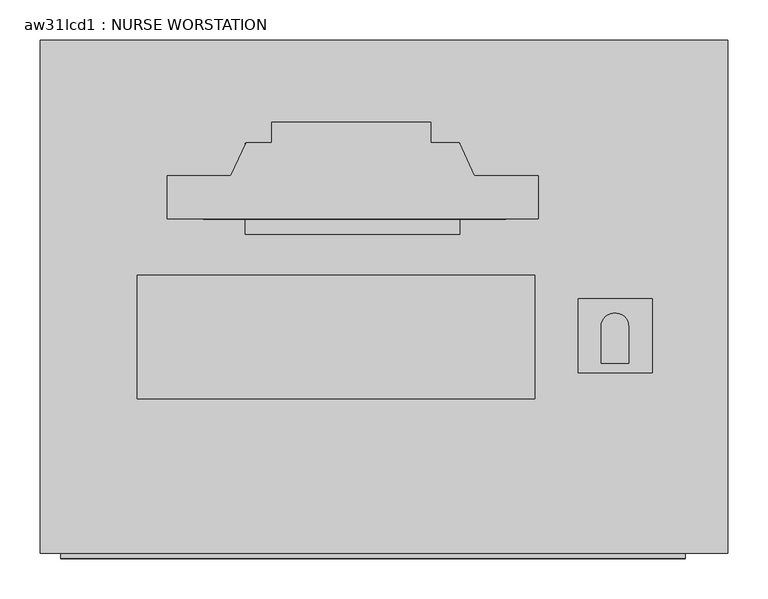
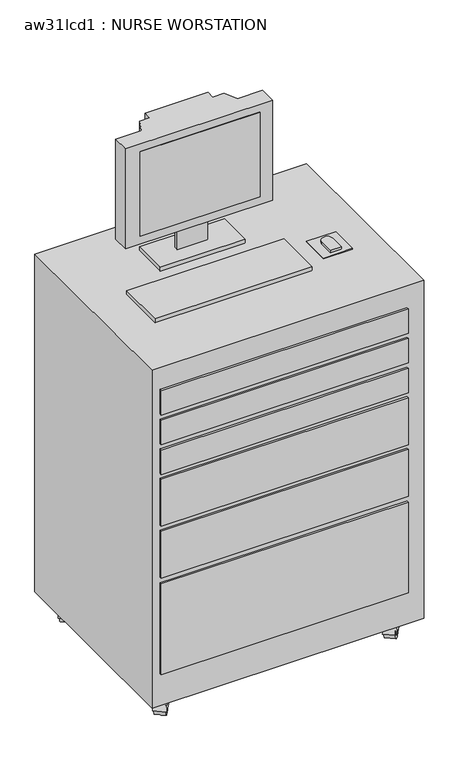
"""IFC4 building model written with IfcOpenShell, lengths in millimetres: proxy geometry, aw31lcd1 : NURSE WORSTATION."""

from ifc_helpers import new_model, si_unit, point, frame, frame_2d, origin, place, context, project, spatial, polyline, circle_curve, trimmed, segment, composite_curve, outline, extrude, faceted_brep, source, transform, mapped, element, save


def aw31lcd1_nurse_worstation_875e6ec7(model_context):
    return source(origin(), model_context, "Body", "SolidModel", [
        extrude(outline(polyline([(11.3204069, -2.1499254), (385.9704069, -2.1499254), (385.9704069, -5.476148), (11.3204069, -5.476148), (11.3204069, -2.1499254)])), frame((0.0, 0.0, 1278.3308248), z_axis=(0.0, 0.0, 1.0), x_axis=(1.0, 0.0, 0.0)), (0.0, 0.0, 1.0), 279.4),
        extrude(outline(polyline([(11.3204069, 10.9978045), (385.9704069, 10.9978045), (385.9704069, 3.998727), (11.3204069, 3.998727), (11.3204069, 10.9978045)])), frame((0.0, 0.0, 1278.3308248), z_axis=(0.0, 0.0, 1.0), x_axis=(1.0, 0.0, 0.0)), (0.0, 0.0, 1.0), 279.4),
        extrude(outline(polyline([(566.8529791, -103.6582011), (566.8529791, -195.5987822), (475.4784271, -195.5987822), (475.4784271, -103.6582011), (566.8529791, -103.6582011)])), frame((0.0, 0.0, 1155.7), z_axis=(0.0, 0.0, 1.0), x_axis=(1.0, 0.0, 0.0)), (0.0, 0.0, 1.0), 2.9133962),
        extrude(outline(composite_curve([segment(trimmed(circle_curve(frame_2d((520.8651108, -138.5749128)), 17.0826805), [point((503.7824304, -138.5749128))], [point((537.9477913, -138.5749128))], False, "CARTESIAN"), True, "CONTINUOUS"), segment(polyline([(537.9477913, -138.5749128), (537.9477913, -183.8689655), (503.7824304, -183.8689655), (503.7824304, -138.5749128)]), True, "CONTINUOUS")], self_intersect=False)), frame((0.0, 0.0, 1158.6133962), z_axis=(0.0, 0.0, 1.0), x_axis=(1.0, 0.0, 0.0)), (0.0, 0.0, 1.0), 9.3019768),
        extrude(outline(polyline([(421.683969, -227.6226119), (-70.2947271, -227.6226119), (-70.2947271, -74.6176866), (421.683969, -74.6176866), (421.683969, -227.6226119)])), frame((0.0, 0.0, 1155.7), z_axis=(0.0, 0.0, 1.0), x_axis=(1.0, 0.0, 0.0)), (0.0, 0.0, 1.0), 12.2153731),
        extrude(outline(polyline([(328.9761644, -24.13), (63.4041467, -24.13), (63.4041467, 88.3361171), (328.9761644, 88.3361171), (328.9761644, -24.13)])), frame((0.0, 0.0, 1155.7), z_axis=(0.0, 0.0, 1.0), x_axis=(1.0, 0.0, 0.0)), (0.0, 0.0, 1.0), 12.2153731),
        extrude(outline(polyline([(240.0761644, 24.8549459), (144.8261644, 24.8549459), (144.8261644, 37.5361171), (240.0761644, 37.5361171), (240.0761644, 24.8549459)])), frame((0.0, 0.0, 1167.9153731), z_axis=(0.0, 0.0, 1.0), x_axis=(1.0, 0.0, 0.0)), (0.0, 0.0, 1.0), 83.6809533),
        extrude(outline(polyline([(-33.6750377, -5.08), (-33.6750377, 48.26), (45.4860159, 48.26), (64.4367591, 88.9), (95.8649623, 88.9), (95.8649623, 114.3), (292.7149623, 114.3), (292.7149623, 88.9), (327.9531654, 88.9), (346.9039086, 48.26), (426.0649623, 48.26), (426.0649623, -5.08), (-33.6750377, -5.08)])), frame((0.0, 0.0, 1251.5963264), z_axis=(0.0, 0.0, 1.0), x_axis=(1.0, 0.0, 0.0)), (0.0, 0.0, 1.0), 330.8236736),
        extrude(outline(composite_curve([segment(trimmed(circle_curve(frame_2d((0.0, -25.7612182)), 25.7612183), [point((0.0, -51.5224365))], [point((0.0, 0.0))], False, "CARTESIAN"), True, "CONTINUOUS"), segment(trimmed(circle_curve(frame_2d((0.0, -25.7612182)), 25.7612183), [point((0.0, 0.0))], [point((0.0, -51.5224365))], False, "CARTESIAN"), True, "CONTINUOUS")], self_intersect=False)), frame((-98.5794195, 161.7340806, -13.9262817), z_axis=(-0.7771459614569454, 0.6293203910498689, 0.0), x_axis=(0.0, 0.0, 1.0)), (0.0, 0.0, 1.0), 31.75),
        extrude(outline(composite_curve([segment(polyline([(-57.1058785, 0.0), (-0.6783151, 0.0)]), True, "CONTINUOUS"), segment(trimmed(circle_curve(frame_2d((-28.8920967, 0.0)), 28.2137817), [point((-0.6783151, 0.0))], [point((-57.1058785, 0.0))], False, "CARTESIAN"), True, "CONTINUOUS")], self_intersect=False)), frame((-94.1416554, 162.1691379, -13.9262817), z_axis=(-0.7771459614569454, 0.6293203910498689, 0.0), x_axis=(0.6293203910498689, 0.7771459614569454, 0.0)), (0.0, 0.0, 1.0), 38.1),
        extrude(outline(composite_curve([segment(trimmed(circle_curve(frame_2d((-127.1280789, 151.7038351)), 3.5091751), [point((-129.8552201, 153.9122305))], [point((-124.4009376, 149.4954397))], False, "CARTESIAN"), True, "CONTINUOUS"), segment(trimmed(circle_curve(frame_2d((-127.1280789, 151.7038351)), 3.5091751), [point((-124.4009376, 149.4954397))], [point((-129.8552201, 153.9122305))], False, "CARTESIAN"), True, "CONTINUOUS")], self_intersect=False)), frame((0.0, 0.0, 14.2875), z_axis=(0.0, 0.0, 1.0), x_axis=(1.0, 0.0, 0.0)), (0.0, 0.0, 1.0), 13.49375),
        extrude(outline(composite_curve([segment(trimmed(circle_curve(frame_2d((0.0, -25.7612182)), 25.7612183), [point((0.0, -51.5224365))], [point((0.0, 0.0))], False, "CARTESIAN"), True, "CONTINUOUS"), segment(trimmed(circle_curve(frame_2d((0.0, -25.7612182)), 25.7612183), [point((0.0, 0.0))], [point((0.0, -51.5224365))], False, "CARTESIAN"), True, "CONTINUOUS")], self_intersect=False)), frame((-96.651196, -345.2878507, -13.9262817), z_axis=(-0.7771459614569454, 0.6293203910498689, 0.0), x_axis=(0.0, 0.0, 1.0)), (0.0, 0.0, 1.0), 31.75),
        extrude(outline(composite_curve([segment(polyline([(-57.1058784, 0.0), (-0.6783149, 0.0)]), True, "CONTINUOUS"), segment(trimmed(circle_curve(frame_2d((-28.8920967, 0.0)), 28.2137817), [point((-0.6783149, 0.0))], [point((-57.1058784, 0.0))], False, "CARTESIAN"), True, "CONTINUOUS")], self_intersect=False)), frame((-92.2134319, -344.8527934, -13.9262817), z_axis=(-0.7771459614569454, 0.6293203910498689, 0.0), x_axis=(0.6293203910498689, 0.7771459614569454, 0.0)), (0.0, 0.0, 1.0), 38.1),
        extrude(outline(composite_curve([segment(trimmed(circle_curve(frame_2d((-125.1998553, -355.3180962)), 3.5091751), [point((-127.9269966, -353.1097007))], [point((-122.4727141, -357.5264916))], False, "CARTESIAN"), True, "CONTINUOUS"), segment(trimmed(circle_curve(frame_2d((-125.1998553, -355.3180962)), 3.5091751), [point((-122.4727141, -357.5264916))], [point((-127.9269966, -353.1097007))], False, "CARTESIAN"), True, "CONTINUOUS")], self_intersect=False)), frame((0.0, 0.0, 14.2875), z_axis=(0.0, 0.0, 1.0), x_axis=(1.0, 0.0, 0.0)), (0.0, 0.0, 1.0), 13.49375),
        extrude(outline(composite_curve([segment(trimmed(circle_curve(frame_2d((0.0, -25.7612183)), 25.7612183), [point((0.0, -51.5224365))], [point((0.0, 0.0))], False, "CARTESIAN"), True, "CONTINUOUS"), segment(trimmed(circle_curve(frame_2d((0.0, -25.7612183)), 25.7612183), [point((0.0, 0.0))], [point((0.0, -51.5224365))], False, "CARTESIAN"), True, "CONTINUOUS")], self_intersect=False)), frame((626.43263, 162.799051, -13.9262817), z_axis=(-0.7771459614569454, 0.6293203910498689, 0.0), x_axis=(0.0, 0.0, 1.0)), (0.0, 0.0, 1.0), 31.75),
        extrude(outline(composite_curve([segment(polyline([(-57.1058785, 0.0), (-0.678315, 0.0)]), True, "CONTINUOUS"), segment(trimmed(circle_curve(frame_2d((-28.8920967, 0.0)), 28.2137817), [point((-0.678315, 0.0))], [point((-57.1058785, 0.0))], False, "CARTESIAN"), True, "CONTINUOUS")], self_intersect=False)), frame((630.8703941, 163.2341083, -13.9262817), z_axis=(-0.7771459614569455, 0.6293203910498689, 0.0), x_axis=(0.6293203910498689, 0.7771459614569455, 0.0)), (0.0, 0.0, 1.0), 38.1),
        extrude(outline(composite_curve([segment(trimmed(circle_curve(frame_2d((597.8839706, 152.7688055)), 3.5091751), [point((595.1568293, 154.977201))], [point((600.6111119, 150.5604101))], False, "CARTESIAN"), True, "CONTINUOUS"), segment(trimmed(circle_curve(frame_2d((597.8839706, 152.7688055)), 3.5091751), [point((600.6111119, 150.5604101))], [point((595.1568293, 154.977201))], False, "CARTESIAN"), True, "CONTINUOUS")], self_intersect=False)), frame((0.0, 0.0, 14.2875), z_axis=(0.0, 0.0, 1.0), x_axis=(1.0, 0.0, 0.0)), (0.0, 0.0, 1.0), 13.49375),
        extrude(outline(composite_curve([segment(trimmed(circle_curve(frame_2d((0.0, -25.7612183)), 25.7612183), [point((0.0, -51.5224365))], [point((0.0, 0.0))], False, "CARTESIAN"), True, "CONTINUOUS"), segment(trimmed(circle_curve(frame_2d((0.0, -25.7612183)), 25.7612183), [point((0.0, 0.0))], [point((0.0, -51.5224365))], False, "CARTESIAN"), True, "CONTINUOUS")], self_intersect=False)), frame((626.43263, 162.799051, -13.9262817), z_axis=(-0.7771459614569454, 0.6293203910498689, 0.0), x_axis=(0.0, 0.0, 1.0)), (0.0, 0.0, 1.0), 31.75),
        extrude(outline(composite_curve([segment(polyline([(-57.1058785, 0.0), (-0.678315, 0.0)]), True, "CONTINUOUS"), segment(trimmed(circle_curve(frame_2d((-28.8920967, 0.0)), 28.2137817), [point((-0.678315, 0.0))], [point((-57.1058785, 0.0))], False, "CARTESIAN"), True, "CONTINUOUS")], self_intersect=False)), frame((630.8703941, 163.2341083, -13.9262817), z_axis=(-0.7771459614569455, 0.6293203910498689, 0.0), x_axis=(0.6293203910498689, 0.7771459614569455, 0.0)), (0.0, 0.0, 1.0), 38.1),
        extrude(outline(composite_curve([segment(trimmed(circle_curve(frame_2d((597.8839706, 152.7688055)), 3.5091751), [point((595.1568293, 154.977201))], [point((600.6111119, 150.5604101))], False, "CARTESIAN"), True, "CONTINUOUS"), segment(trimmed(circle_curve(frame_2d((597.8839706, 152.7688055)), 3.5091751), [point((600.6111119, 150.5604101))], [point((595.1568293, 154.977201))], False, "CARTESIAN"), True, "CONTINUOUS")], self_intersect=False)), frame((0.0, 0.0, 14.2875), z_axis=(0.0, 0.0, 1.0), x_axis=(1.0, 0.0, 0.0)), (0.0, 0.0, 1.0), 13.49375),
        extrude(outline(composite_curve([segment(trimmed(circle_curve(frame_2d((0.0, -25.7612183)), 25.7612183), [point((0.0, -51.5224365))], [point((0.0, 0.0))], False, "CARTESIAN"), True, "CONTINUOUS"), segment(trimmed(circle_curve(frame_2d((0.0, -25.7612183)), 25.7612183), [point((0.0, 0.0))], [point((0.0, -51.5224365))], False, "CARTESIAN"), True, "CONTINUOUS")], self_intersect=False)), frame((624.84513, -343.613449, -13.9262817), z_axis=(-0.7771459614569454, 0.6293203910498689, 0.0), x_axis=(0.0, 0.0, 1.0)), (0.0, 0.0, 1.0), 31.75),
        extrude(outline(composite_curve([segment(polyline([(-57.1058785, 0.0), (-0.678315, 0.0)]), True, "CONTINUOUS"), segment(trimmed(circle_curve(frame_2d((-28.8920967, 0.0)), 28.2137817), [point((-0.678315, 0.0))], [point((-57.1058785, 0.0))], False, "CARTESIAN"), True, "CONTINUOUS")], self_intersect=False)), frame((629.2828941, -343.1783917, -13.9262817), z_axis=(-0.7771459614569454, 0.6293203910498689, 0.0), x_axis=(0.6293203910498689, 0.7771459614569454, 0.0)), (0.0, 0.0, 1.0), 38.1),
        extrude(outline(composite_curve([segment(trimmed(circle_curve(frame_2d((596.2964706, -353.6436945)), 3.5091751), [point((593.5693293, -351.435299))], [point((599.0236119, -355.8520899))], False, "CARTESIAN"), True, "CONTINUOUS"), segment(trimmed(circle_curve(frame_2d((596.2964706, -353.6436945)), 3.5091751), [point((599.0236119, -355.8520899))], [point((593.5693293, -351.435299))], False, "CARTESIAN"), True, "CONTINUOUS")], self_intersect=False)), frame((0.0, 0.0, 14.2875), z_axis=(0.0, 0.0, 1.0), x_axis=(1.0, 0.0, 0.0)), (0.0, 0.0, 1.0), 13.49375),
        extrude(outline(polyline([(-165.1, -419.1), (608.0784825, -419.1), (608.0784825, -425.45), (-165.1, -425.45), (-165.1, -419.1)])), frame((0.0, 0.0, 463.55), z_axis=(0.0, 0.0, 1.0), x_axis=(1.0, 0.0, 0.0)), (0.0, 0.0, 1.0), 155.3345142),
        extrude(outline(polyline([(-165.1, -419.1), (608.0784825, -419.1), (608.0784825, -425.45), (-165.1, -425.45), (-165.1, -419.1)])), frame((0.0, 0.0, 806.45), z_axis=(0.0, 0.0, 1.0), x_axis=(1.0, 0.0, 0.0)), (0.0, 0.0, 1.0), 80.8645528),
        extrude(outline(polyline([(-165.1, -419.1), (608.0784825, -419.1), (608.0784825, -425.45), (-165.1, -425.45), (-165.1, -419.1)])), frame((0.0, 0.0, 904.875), z_axis=(0.0, 0.0, 1.0), x_axis=(1.0, 0.0, 0.0)), (0.0, 0.0, 1.0), 80.8645528),
        extrude(outline(polyline([(-165.1, -419.1), (608.0784825, -419.1), (608.0784825, -425.45), (-165.1, -425.45), (-165.1, -419.1)])), frame((0.0, 0.0, 1003.3), z_axis=(0.0, 0.0, 1.0), x_axis=(1.0, 0.0, 0.0)), (0.0, 0.0, 1.0), 80.8645528),
        extrude(outline(polyline([(-165.1, -419.1), (608.0784825, -419.1), (608.0784825, -425.45), (-165.1, -425.45), (-165.1, -419.1)])), frame((0.0, 0.0, 635.0), z_axis=(0.0, 0.0, 1.0), x_axis=(1.0, 0.0, 0.0)), (0.0, 0.0, 1.0), 155.3345142),
        extrude(outline(polyline([(608.0784825, -425.45), (-165.1, -425.45), (-165.1, -419.1), (608.0784825, -419.1), (608.0784825, -425.45)])), frame((0.0, 0.0, 144.62025), z_axis=(0.0, 0.0, 1.0), x_axis=(1.0, 0.0, 0.0)), (0.0, 0.0, 1.0), 299.87975),
        faceted_brep([(584.2, -368.3, 38.1), (609.6, -368.3, 38.1), (609.6, -342.9, 38.1), (584.2, -342.9, 38.1), (590.55, -361.95, 25.4), (590.55, -349.25, 25.4), (603.25, -349.25, 25.4), (603.25, -361.95, 25.4)], [[[0, 1, 2, 3]], [[4, 5, 6, 7]], [[4, 7, 1, 0]], [[7, 6, 2, 1]], [[6, 5, 3, 2]], [[5, 4, 0, 3]]]),
        faceted_brep([(-114.3, -368.3, 38.1), (-114.3, -342.9, 38.1), (-139.7, -342.9, 38.1), (-139.7, -368.3, 38.1), (-120.65, -361.95, 25.4), (-133.35, -361.95, 25.4), (-133.35, -349.25, 25.4), (-120.65, -349.25, 25.4)], [[[0, 1, 2, 3]], [[4, 5, 6, 7]], [[4, 7, 1, 0]], [[7, 6, 2, 1]], [[6, 5, 3, 2]], [[5, 4, 0, 3]]]),
        faceted_brep([(584.2, 165.1, 38.1), (584.2, 139.7, 38.1), (609.6, 139.7, 38.1), (609.6, 165.1, 38.1), (590.55, 158.75, 25.4), (603.25, 158.75, 25.4), (603.25, 146.05, 25.4), (590.55, 146.05, 25.4)], [[[0, 1, 2, 3]], [[4, 5, 6, 7]], [[4, 7, 1, 0]], [[7, 6, 2, 1]], [[6, 5, 3, 2]], [[5, 4, 0, 3]]]),
        faceted_brep([(-114.3, 165.1, 38.1), (-139.7, 165.1, 38.1), (-139.7, 139.7, 38.1), (-114.3, 139.7, 38.1), (-120.65, 158.75, 25.4), (-120.65, 146.05, 25.4), (-133.35, 146.05, 25.4), (-133.35, 158.75, 25.4)], [[[0, 1, 2, 3]], [[4, 5, 6, 7]], [[4, 7, 1, 0]], [[7, 6, 2, 1]], [[6, 5, 3, 2]], [[5, 4, 0, 3]]]),
        extrude(outline(polyline([(660.4, -419.1), (-190.5, -419.1), (-190.5, 215.9), (660.4, 215.9), (660.4, -419.1)])), frame((0.0, 0.0, 38.1), z_axis=(0.0, 0.0, 1.0), x_axis=(1.0, 0.0, 0.0)), (0.0, 0.0, 1.0), 1117.6),
    ])


if __name__ == "__main__":
    model = new_model("IFC4")
    model_context = context("Model", 3, world=origin())
    ifc_project = project(units=[si_unit("LENGTHUNIT", "METRE", prefix="MILLI")], contexts=[model_context])
    site = spatial("IfcSite", under=ifc_project)
    building = spatial("IfcBuilding", under=site)
    placement = place(None, origin())
    aw31lcd1_nurse_worstation_shape = aw31lcd1_nurse_worstation_875e6ec7(model_context)
    element("IfcBuildingElementProxy", 1, Name="aw31lcd1 : NURSE WORSTATION", ObjectType="aw31lcd1 : NURSE WORSTATION", at=placement, inside=building, context=model_context, shape_type="MappedRepresentation", body=[
        mapped(aw31lcd1_nurse_worstation_shape, transform((0.0, 0.0, 0.0), x_axis=(1.0, 0.0, 0.0), y_axis=(0.0, 1.0, 0.0), z_axis=(0.0, 0.0, 1.0))),
    ])
    save(model, "model.ifc")
